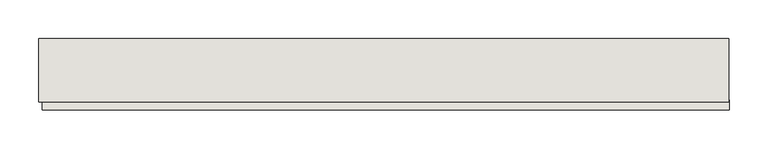
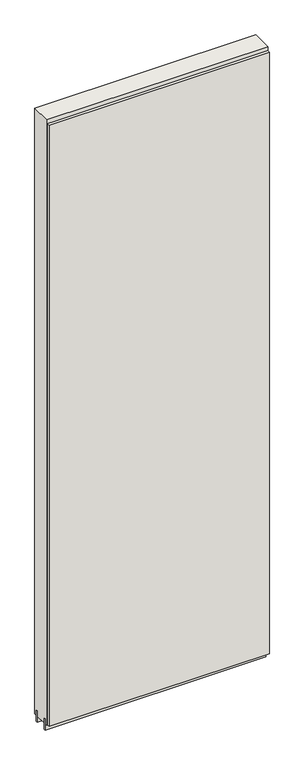
"""IFC4 building model written with IfcOpenShell, lengths in millimetres: wall geometry."""

from ifc_helpers import new_model, si_unit, frame, origin, place, context, project, spatial, polyline, outline, extrude, source, transform, mapped, element, save


def wall_ccf56404(model_context):
    return source(origin(), model_context, "Body", "SweptSolid", [
        extrude(outline(polyline([(71347.6586506, -47236.919496), (71350.1986506, -47236.919496), (71350.1986506, -47239.459496), (71347.6586506, -47239.459496), (71347.6586506, -47236.919496)])), frame((0.0, 0.0, 4419.6), z_axis=(0.0, 0.0, 1.0), x_axis=(1.0, 0.0, 0.0)), (0.0, 0.0, 1.0), 2.54),
        extrude(outline(polyline([(71350.6621498, -47288.989496), (70468.5511378, -47288.989496), (70468.5511378, -47276.289496), (71350.6621498, -47276.289496), (71350.6621498, -47288.989496)])), frame((0.0, 0.0, 4445.0), z_axis=(0.0, 0.0, 1.0), x_axis=(1.0, 0.0, 0.0)), (0.0, 0.0, 1.0), 2545.0498756),
        extrude(outline(polyline([(70464.0958508, -47263.2794382), (71350.1998952, -47263.2794382), (71350.1998952, -47268.3581936), (70464.0958508, -47268.3581936), (70464.0958508, -47263.2794382)])), frame((0.0, 0.0, 4418.6602), z_axis=(0.0, 0.0, 1.0), x_axis=(1.0, 0.0, 0.0)), (0.0, 0.0, 1.0), 47.625),
        extrude(outline(polyline([(70464.0958508, -47263.2794382), (71350.1998952, -47263.2794382), (71350.1998952, -47268.3581936), (70464.0958508, -47268.3581936), (70464.0958508, -47263.2794382)])), frame((0.0, 0.0, 4418.6602), z_axis=(0.0, 0.0, 1.0), x_axis=(1.0, 0.0, 0.0)), (0.0, 0.0, 1.0), 47.625),
        extrude(outline(polyline([(71350.1998952, -47213.1150732), (70464.0958508, -47213.1150732), (70464.0958508, -47208.0331936), (71350.1998952, -47208.0331936), (71350.1998952, -47213.1150732)])), frame((0.0, 0.0, 4418.6602), z_axis=(0.0, 0.0, 1.0), x_axis=(1.0, 0.0, 0.0)), (0.0, 0.0, 1.0), 47.625),
        extrude(outline(polyline([(71350.1998952, -47213.1150732), (70464.0958508, -47213.1150732), (70464.0958508, -47208.0331936), (71350.1998952, -47208.0331936), (71350.1998952, -47213.1150732)])), frame((0.0, 0.0, 4418.6602), z_axis=(0.0, 0.0, 1.0), x_axis=(1.0, 0.0, 0.0)), (0.0, 0.0, 1.0), 47.625),
        extrude(outline(polyline([(70464.0958508, -47278.8226888), (70464.0958508, -47197.5439334), (71350.1998952, -47197.5439334), (71350.1998952, -47278.8226888), (70464.0958508, -47278.8226888)])), frame((0.0, 0.0, 4445.0), z_axis=(0.0, 0.0, 1.0), x_axis=(1.0, 0.0, 0.0)), (0.0, 0.0, 1.0), 2562.4536762),
    ])


if __name__ == "__main__":
    model = new_model("IFC4")
    model_context = context("Model", 3, world=origin())
    ifc_project = project(units=[si_unit("LENGTHUNIT", "METRE", prefix="MILLI")], contexts=[model_context])
    site = spatial("IfcSite", under=ifc_project)
    building = spatial("IfcBuilding", under=site)
    placement = place(None, origin())
    wall_shape = wall_ccf56404(model_context)
    element("IfcWall", 1, at=placement, inside=building, context=model_context, shape_type="MappedRepresentation", body=[
        mapped(wall_shape, transform((0.0, 0.0, 0.0), x_axis=(1.0, 0.0, 0.0), y_axis=(0.0, 1.0, 0.0), z_axis=(0.0, 0.0, 1.0))),
    ])
    save(model, "model.ifc")
